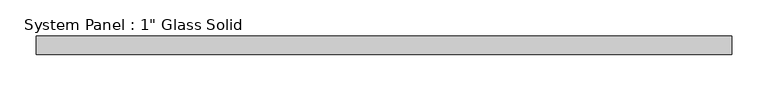
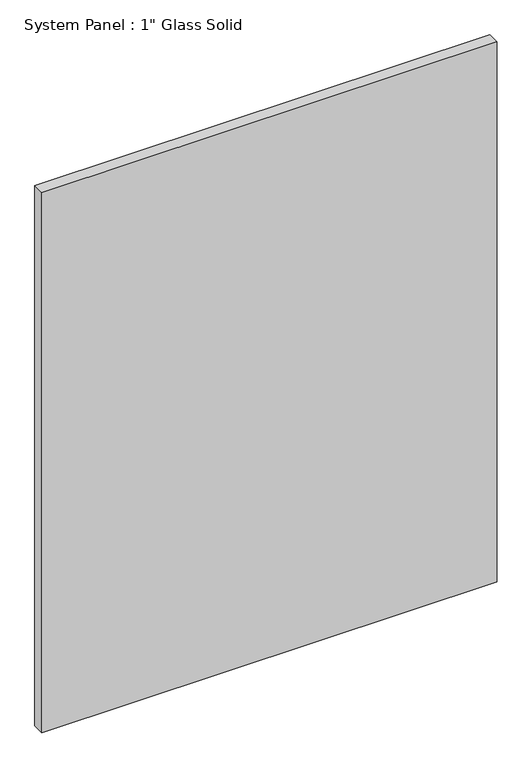
"""IFC4 building model written with IfcOpenShell, lengths in millimetres: plate geometry."""

from ifc_helpers import new_model, si_unit, origin, origin_with_axes, place, context, project, spatial, polyline, outline, extrude, source, transform, mapped, element, save


def plate_1621e810(model_context):
    return source(origin(), model_context, "Body", "SweptSolid", [
        extrude(outline(polyline([(479.4258852, -12.7), (-479.4258852, -12.7), (-479.4258852, 12.7), (479.4258852, 12.7), (479.4258852, -12.7)])), origin_with_axes(), (0.0, 0.0, 1.0), 1203.325),
    ])


if __name__ == "__main__":
    model = new_model("IFC4")
    model_context = context("Model", 3, world=origin())
    ifc_project = project(units=[si_unit("LENGTHUNIT", "METRE", prefix="MILLI")], contexts=[model_context])
    site = spatial("IfcSite", under=ifc_project)
    building = spatial("IfcBuilding", under=site)
    placement = place(None, origin())
    plate_shape = plate_1621e810(model_context)
    element("IfcPlate", 1, ObjectType="System Panel : 1\" Glass Solid", at=placement, inside=building, context=model_context, shape_type="MappedRepresentation", body=[
        mapped(plate_shape, transform((0.0, 0.0, 0.0), x_axis=(1.0, 0.0, 0.0), y_axis=(0.0, 1.0, 0.0), z_axis=(0.0, 0.0, 1.0))),
    ])
    save(model, "model.ifc")
